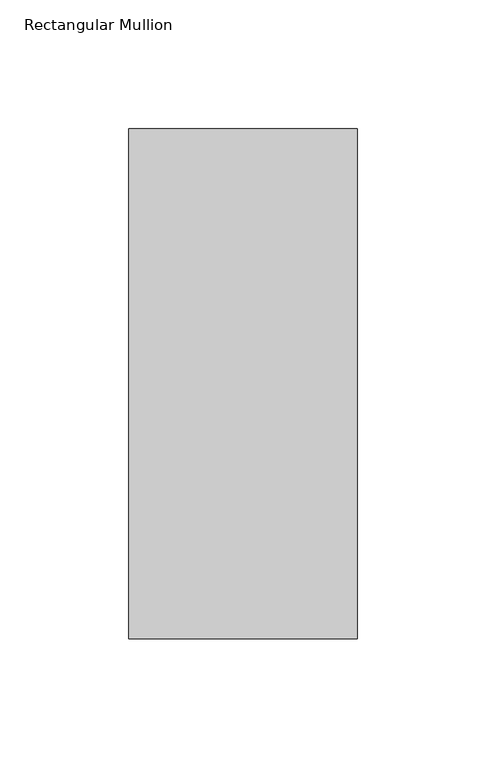
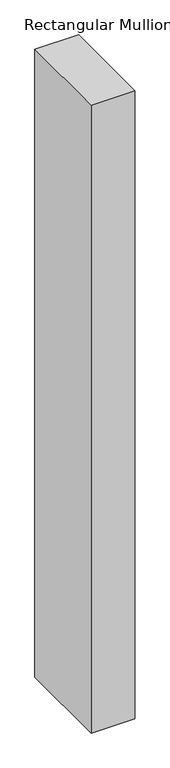
"""IFC4 building model written with IfcOpenShell, lengths in millimetres: member geometry, Rectangular Mullion."""

from ifc_helpers import new_model, si_unit, frame, origin, place, context, project, spatial, polyline, outline, extrude, source, transform, mapped, element, save


def rectangular_mullion_f488d039(model_context):
    return source(origin(), model_context, "Body", "SweptSolid", [
        extrude(outline(polyline([(-88.9, 42.06875), (0.0, 42.06875), (0.0, -156.36875), (-88.9, -156.36875), (-88.9, 42.06875)])), frame((0.0, 0.0, -1350.8223051), z_axis=(0.0, 0.0, 1.0), x_axis=(1.0, 0.0, 0.0)), (0.0, 0.0, 1.0), 1350.8223051),
    ])


if __name__ == "__main__":
    model = new_model("IFC4")
    model_context = context("Model", 3, world=origin())
    ifc_project = project(units=[si_unit("LENGTHUNIT", "METRE", prefix="MILLI")], contexts=[model_context])
    site = spatial("IfcSite", under=ifc_project)
    building = spatial("IfcBuilding", under=site)
    placement = place(None, origin())
    rectangular_mullion_shape = rectangular_mullion_f488d039(model_context)
    element("IfcMember", 1, ObjectType="Rectangular Mullion", at=placement, inside=building, context=model_context, shape_type="MappedRepresentation", body=[
        mapped(rectangular_mullion_shape, transform((0.0, 0.0, 0.0), x_axis=(1.0, 0.0, 0.0), y_axis=(0.0, 1.0, 0.0), z_axis=(0.0, 0.0, 1.0))),
    ])
    save(model, "model.ifc")
